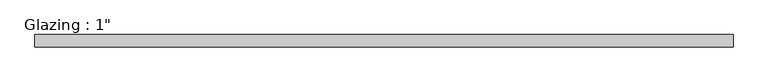
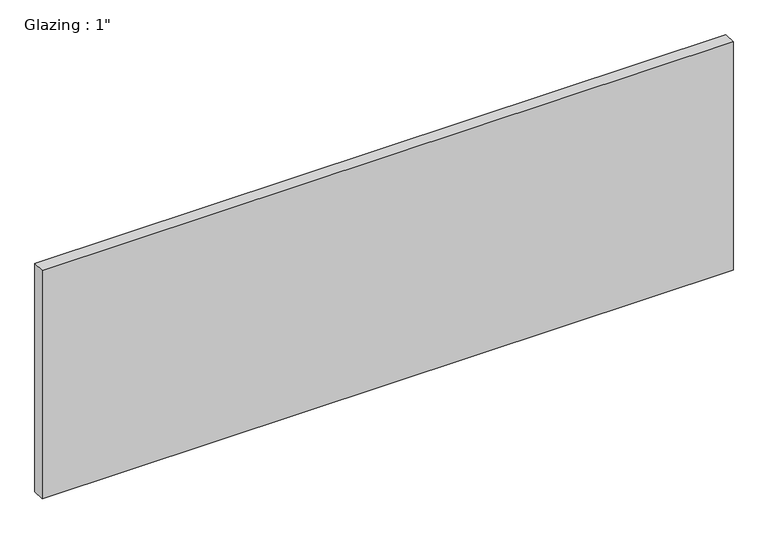
"""IFC4 building model written with IfcOpenShell, lengths in millimetres: plate geometry."""

from ifc_helpers import new_model, si_unit, origin, origin_with_axes, place, context, project, spatial, polyline, outline, extrude, source, transform, mapped, element, save


def plate_9112bbd1(model_context):
    return source(origin(), model_context, "Body", "SweptSolid", [
        extrude(outline(polyline([(712.2465169, 12.7), (712.2465169, -12.7), (-712.2465169, -12.7), (-712.2465169, 12.7), (712.2465169, 12.7)])), origin_with_axes(), (0.0, 0.0, 1.0), 497.9851068),
    ])


if __name__ == "__main__":
    model = new_model("IFC4")
    model_context = context("Model", 3, world=origin())
    ifc_project = project(units=[si_unit("LENGTHUNIT", "METRE", prefix="MILLI")], contexts=[model_context])
    site = spatial("IfcSite", under=ifc_project)
    building = spatial("IfcBuilding", under=site)
    placement = place(None, origin())
    plate_shape = plate_9112bbd1(model_context)
    element("IfcPlate", 1, ObjectType="Glazing : 1\"", at=placement, inside=building, context=model_context, shape_type="MappedRepresentation", body=[
        mapped(plate_shape, transform((0.0, 0.0, 0.0), x_axis=(1.0, 0.0, 0.0), y_axis=(0.0, 1.0, 0.0), z_axis=(0.0, 0.0, 1.0))),
    ])
    save(model, "model.ifc")
